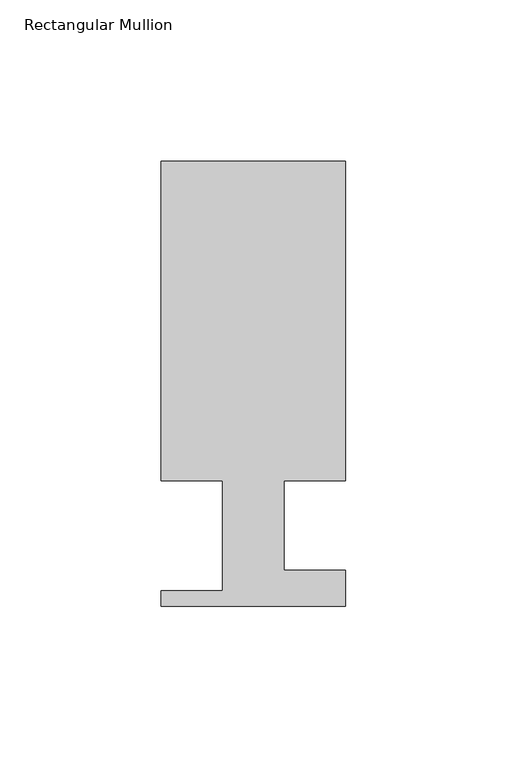
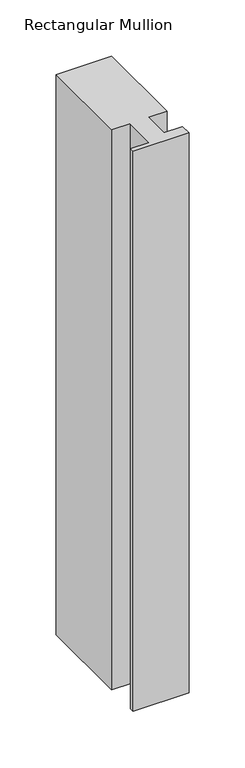
"""IFC4 building model written with IfcOpenShell, lengths in millimetres: member geometry, Rectangular Mullion."""

from ifc_helpers import new_model, si_unit, frame, origin, place, context, project, spatial, polyline, outline, extrude, source, transform, mapped, element, save


def rectangular_mullion_11b0f3ce(model_context):
    return source(origin(), model_context, "Body", "SweptSolid", [
        extrude(outline(polyline([(0.0, 138.3228438), (0.0, 39.3898437), (-19.05, 39.3898437), (-19.05, 11.7038437), (0.0, 11.7038437), (0.0, 0.5278438), (-57.15, 0.5278438), (-57.15, 5.3538438), (-38.1, 5.3538438), (-38.1, 39.3898437), (-57.15, 39.3898437), (-57.15, 138.3228438), (0.0, 138.3228438)])), frame((0.0, 0.0, -609.6), z_axis=(0.0, 0.0, 1.0), x_axis=(1.0, 0.0, 0.0)), (0.0, 0.0, 1.0), 609.6),
    ])


if __name__ == "__main__":
    model = new_model("IFC4")
    model_context = context("Model", 3, world=origin())
    ifc_project = project(units=[si_unit("LENGTHUNIT", "METRE", prefix="MILLI")], contexts=[model_context])
    site = spatial("IfcSite", under=ifc_project)
    building = spatial("IfcBuilding", under=site)
    placement = place(None, origin())
    rectangular_mullion_shape = rectangular_mullion_11b0f3ce(model_context)
    element("IfcMember", 1, ObjectType="Rectangular Mullion", at=placement, inside=building, context=model_context, shape_type="MappedRepresentation", body=[
        mapped(rectangular_mullion_shape, transform((0.0, 0.0, 0.0), x_axis=(1.0, 0.0, 0.0), y_axis=(0.0, 1.0, 0.0), z_axis=(0.0, 0.0, 1.0))),
    ])
    save(model, "model.ifc")
